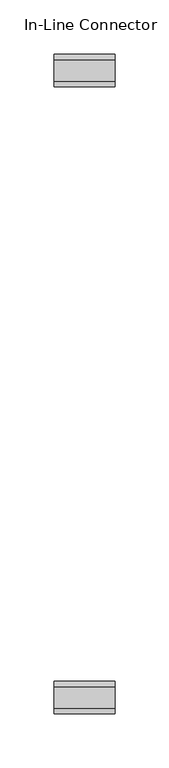
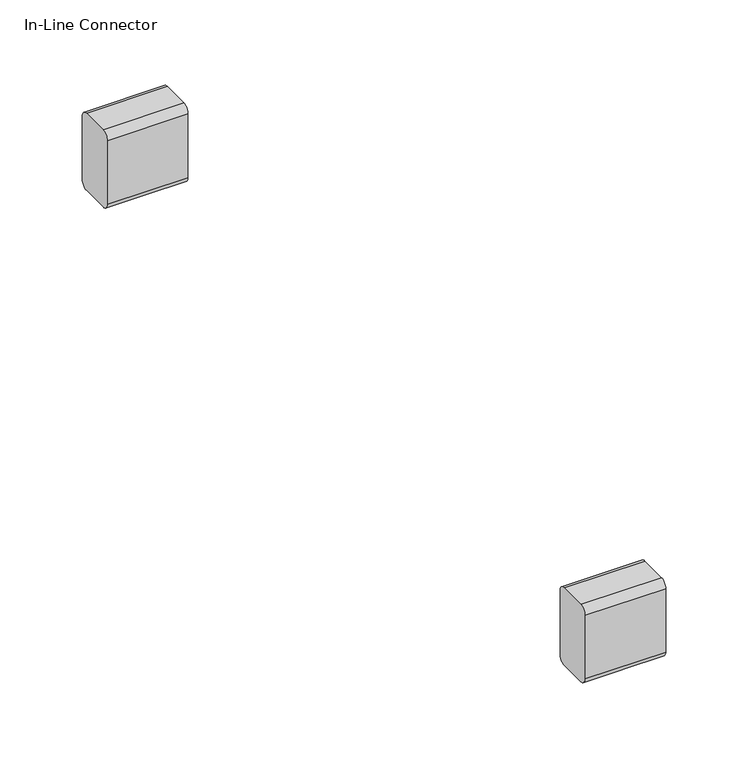
"""IFC4 building model written with IfcOpenShell, lengths in millimetres: furniture geometry, In-Line Connector."""

from ifc_helpers import new_model, si_unit, point, frame, frame_2d, origin, place, context, project, spatial, polyline, circle_curve, trimmed, segment, composite_curve, outline, extrude, source, transform, mapped, element, save


def in_line_connector_5fc101ab(model_context):
    return source(origin(), model_context, "Body", "SweptSolid", [
        extrude(outline(composite_curve([segment(polyline([(127.9503459, 72.8222583), (107.8284915, 72.8222583)]), True, "CONTINUOUS"), segment(trimmed(circle_curve(frame_2d((107.8284915, 77.9022583)), 5.08), [point((107.8284915, 72.8222583))], [point((102.7484915, 77.9022906))], False, "CARTESIAN"), True, "CONTINUOUS"), segment(polyline([(102.7484915, 77.9022906), (102.7487905, 125.0107594)]), True, "CONTINUOUS"), segment(trimmed(circle_curve(frame_2d((107.8287905, 125.0107271)), 5.08), [point((102.7487905, 125.0107594))], [point((107.8287905, 130.0907271))], False, "CARTESIAN"), True, "CONTINUOUS"), segment(polyline([(107.8287905, 130.0907271), (127.9506449, 130.0907271)]), True, "CONTINUOUS"), segment(trimmed(circle_curve(frame_2d((127.9506449, 125.0107271)), 5.08), [point((127.9506449, 130.0907271))], [point((133.0306449, 125.0106949))], False, "CARTESIAN"), True, "CONTINUOUS"), segment(polyline([(133.0306449, 125.0106949), (133.0303459, 77.9022261)]), True, "CONTINUOUS"), segment(trimmed(circle_curve(frame_2d((127.9503459, 77.9022583)), 5.08), [point((133.0303459, 77.9022261))], [point((127.9503459, 72.8222583))], False, "CARTESIAN"), True, "CONTINUOUS")], self_intersect=False)), frame((0.0, 0.0, 0.0), z_axis=(1.0, 0.0, 0.0), x_axis=(0.0, 1.0, 0.0)), (0.0, 0.0, 1.0), 56.5501701),
        extrude(outline(composite_curve([segment(polyline([(708.1725033, 72.8222583), (688.0506489, 72.8222583)]), True, "CONTINUOUS"), segment(trimmed(circle_curve(frame_2d((688.0506489, 77.9022583)), 5.08), [point((688.0506489, 72.8222583))], [point((682.9706489, 77.9022906))], False, "CARTESIAN"), True, "CONTINUOUS"), segment(polyline([(682.9706489, 77.9022906), (682.9709479, 125.0107594)]), True, "CONTINUOUS"), segment(trimmed(circle_curve(frame_2d((688.0509479, 125.0107271)), 5.08), [point((682.9709479, 125.0107594))], [point((688.0509479, 130.0907271))], False, "CARTESIAN"), True, "CONTINUOUS"), segment(polyline([(688.0509479, 130.0907271), (708.1728023, 130.0907271)]), True, "CONTINUOUS"), segment(trimmed(circle_curve(frame_2d((708.1728023, 125.0107271)), 5.08), [point((708.1728023, 130.0907271))], [point((713.2528023, 125.0106949))], False, "CARTESIAN"), True, "CONTINUOUS"), segment(polyline([(713.2528023, 125.0106949), (713.2525033, 77.9022261)]), True, "CONTINUOUS"), segment(trimmed(circle_curve(frame_2d((708.1725033, 77.9022583)), 5.08), [point((713.2525033, 77.9022261))], [point((708.1725033, 72.8222583))], False, "CARTESIAN"), True, "CONTINUOUS")], self_intersect=False)), frame((0.0, 0.0, 0.0), z_axis=(1.0, 0.0, 0.0), x_axis=(0.0, 1.0, 0.0)), (0.0, 0.0, 1.0), 56.5501701),
    ])


if __name__ == "__main__":
    model = new_model("IFC4")
    model_context = context("Model", 3, world=origin())
    ifc_project = project(units=[si_unit("LENGTHUNIT", "METRE", prefix="MILLI")], contexts=[model_context])
    site = spatial("IfcSite", under=ifc_project)
    building = spatial("IfcBuilding", under=site)
    placement = place(None, origin())
    in_line_connector_shape = in_line_connector_5fc101ab(model_context)
    element("IfcFurniture", 1, ObjectType="In-Line Connector", at=placement, inside=building, context=model_context, shape_type="MappedRepresentation", body=[
        mapped(in_line_connector_shape, transform((0.0, 0.0, 0.0), x_axis=(1.0, 0.0, 0.0), y_axis=(0.0, 1.0, 0.0), z_axis=(0.0, 0.0, 1.0))),
    ])
    save(model, "model.ifc")
